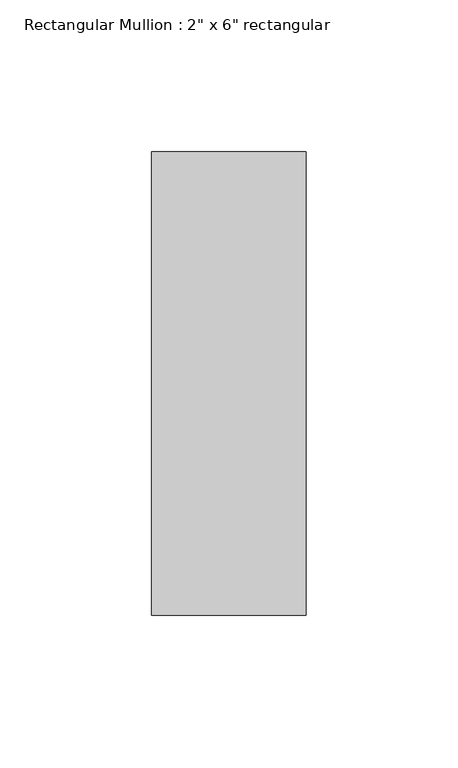
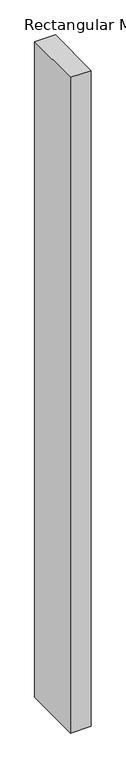
"""IFC4 building model written with IfcOpenShell, lengths in millimetres: member geometry."""

from ifc_helpers import new_model, si_unit, frame, origin, place, context, project, spatial, polyline, outline, extrude, source, transform, mapped, element, save


def member_4d34c321(model_context):
    return source(origin(), model_context, "Body", "SweptSolid", [
        extrude(outline(polyline([(25.4, 76.2), (25.4, -76.2), (-25.4, -76.2), (-25.4, 76.2), (25.4, 76.2)])), frame((0.0, 0.0, -1701.8), z_axis=(0.0, 0.0, 1.0), x_axis=(1.0, 0.0, 0.0)), (0.0, 0.0, 1.0), 1701.8),
    ])


if __name__ == "__main__":
    model = new_model("IFC4")
    model_context = context("Model", 3, world=origin())
    ifc_project = project(units=[si_unit("LENGTHUNIT", "METRE", prefix="MILLI")], contexts=[model_context])
    site = spatial("IfcSite", under=ifc_project)
    building = spatial("IfcBuilding", under=site)
    placement = place(None, origin())
    member_shape = member_4d34c321(model_context)
    element("IfcMember", 1, ObjectType="Rectangular Mullion : 2\" x 6\" rectangular", at=placement, inside=building, context=model_context, shape_type="MappedRepresentation", body=[
        mapped(member_shape, transform((0.0, 0.0, 0.0), x_axis=(1.0, 0.0, 0.0), y_axis=(0.0, 1.0, 0.0), z_axis=(0.0, 0.0, 1.0))),
    ])
    save(model, "model.ifc")
